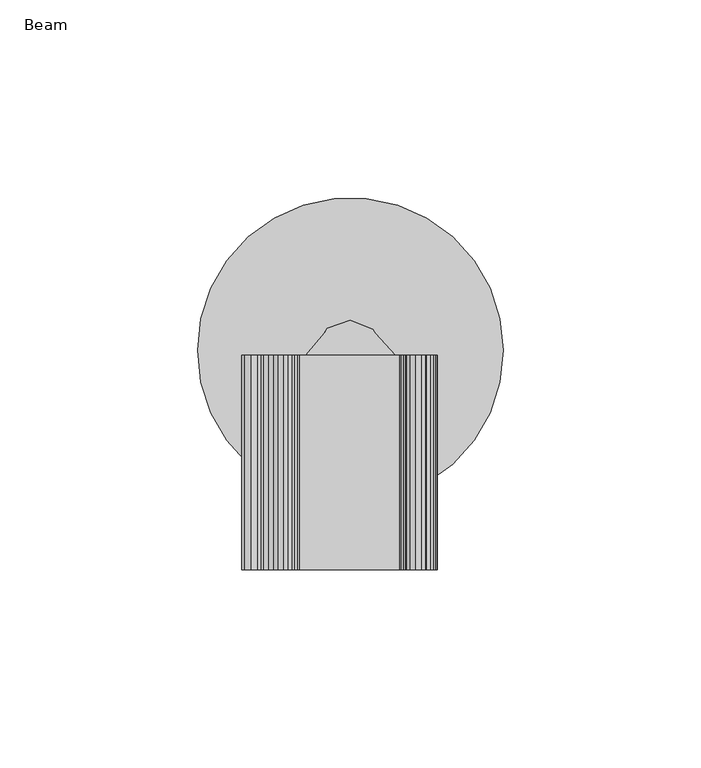
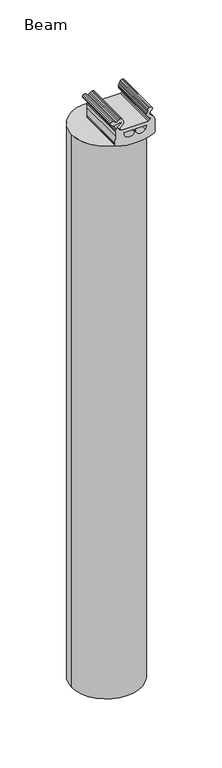
"""IFC4 building model written with IfcOpenShell, lengths in millimetres: furniture geometry, Beam."""

from ifc_helpers import new_model, si_unit, point, frame, frame_2d, origin, origin_with_axes, place, context, project, spatial, polyline, circle_curve, trimmed, segment, composite_curve, outline, extrude, source, transform, mapped, element, save


def beam_3406f82a(model_context):
    return source(origin(), model_context, "Body", "SweptSolid", [
        extrude(outline(composite_curve([segment(polyline([(-6.5555672, 5.7324726), (-5.859409, 6.8810836), (-0.0475324, 8.8573998), (5.674975, 6.6355435), (6.239066, 5.6086376), (11.3186782, 0.0), (15.3944667, -4.0757884), (21.5314068, -7.4468792)]), True, "CONTINUOUS"), segment(trimmed(circle_curve(frame_2d((18.5163742, -8.8806669)), 3.3385878), [point((21.5314068, -7.4468792))], [point((21.812053, -9.414212))], False, "CARTESIAN"), True, "CONTINUOUS"), segment(polyline([(21.812053, -9.414212), (-21.812053, -9.414212)]), True, "CONTINUOUS"), segment(trimmed(circle_curve(frame_2d((-18.5163742, -8.8806669)), 3.3385878), [point((-21.812053, -9.414212))], [point((-21.5314068, -7.4468792))], False, "CARTESIAN"), True, "CONTINUOUS"), segment(polyline([(-21.5314068, -7.4468792), (-15.3944667, -4.0757884), (-11.3186782, 0.0), (-6.5555672, 5.7324726)]), True, "CONTINUOUS")], self_intersect=False)), frame((0.0, 0.0, 670.0307159), z_axis=(0.0, 0.0, 1.0), x_axis=(1.0, 0.0, 0.0)), (0.0, 0.0, 1.0), 3.152766),
        extrude(outline(composite_curve([segment(polyline([(681.1834818, -15.3944667), (681.5205426, -16.5056064), (682.418115, -17.2422245), (683.5736625, -17.3560359), (684.5976954, -16.8086793), (687.6432425, -13.7631342), (688.7094864, -13.0761078), (689.9643407, -12.8911143), (691.2694505, -13.2659123), (693.194698, -14.1351297), (694.1118267, -14.7517835), (694.6247072, -15.7307318), (694.6096011, -16.8357918)]), True, "CONTINUOUS"), segment(trimmed(circle_curve(frame_2d((691.3228283, -16.1832827)), 3.3509169), [point((694.6096011, -16.8357918))], [point((693.9859787, -18.2170657))], False, "CARTESIAN"), True, "CONTINUOUS"), segment(polyline([(693.9859787, -18.2170657), (693.1137559, -19.3592035), (692.5143352, -20.6626992), (692.2504457, -21.9017371)]), True, "CONTINUOUS"), segment(trimmed(circle_curve(frame_2d((692.6700314, -22.1305157)), 0.4779036), [point((692.2504457, -21.9017371))], [point((692.6084909, -22.6044404))], True, "CARTESIAN"), True, "CONTINUOUS"), segment(polyline([(692.6084909, -22.6044404), (694.0505679, -23.5032402), (694.5849825, -25.1162578), (693.9648413, -26.6982975), (692.4766425, -27.5184752), (690.8079167, -27.1978782), (689.7295962, -25.8846187), (689.1892328, -23.0405532), (689.5305156, -20.1657965), (690.7217526, -17.5273013)]), True, "CONTINUOUS"), segment(trimmed(circle_curve(frame_2d((689.9429264, -17.0203197)), 0.9293012), [point((690.7217526, -17.5273013))], [point((689.2858114, -16.3632043))], True, "CARTESIAN"), True, "CONTINUOUS"), segment(polyline([(689.2858114, -16.3632043), (684.9121985, -20.7368142), (683.8766646, -21.5314068), (682.6707598, -22.0309086), (681.3766646, -22.2012793), (676.6834818, -22.2181622), (667.9526855, -22.370736), (666.7118263, -22.3912571), (665.9368892, -22.262541), (665.2690132, -21.812053)]), True, "CONTINUOUS"), segment(trimmed(circle_curve(frame_2d((708.8568268, -1.7797361)), 47.9707329), [point((665.2690132, -21.812053))], [point((661.4415559, -9.058699))], False, "CARTESIAN"), True, "CONTINUOUS"), segment(trimmed(circle_curve(frame_2d((719.3305815, -0.2141054)), 58.56079), [point((661.4415559, -9.058699))], [point((661.4415559, 8.6304883))], False, "CARTESIAN"), True, "CONTINUOUS"), segment(trimmed(circle_curve(frame_2d((713.0944347, 0.7386864)), 52.2522767), [point((661.4415559, 8.6304883))], [point((664.8276173, 20.7540496))], False, "CARTESIAN"), True, "CONTINUOUS"), segment(polyline([(664.8276173, 20.7540496), (665.2564678, 21.4066682), (665.9318287, 21.8612906), (666.7118263, 22.0049588), (667.9526853, 21.9844377), (677.1834818, 21.7986909), (681.3766646, 21.7986909), (682.6707598, 21.6283201), (683.8766646, 21.1288184), (684.9121985, 20.3342258), (688.7559569, 16.49047), (689.4195887, 16.0508697), (690.2021231, 15.9049392), (691.568625, 16.3223878)]), True, "CONTINUOUS"), segment(trimmed(circle_curve(frame_2d((691.3217129, 17.2187165)), 0.9297154), [point((691.568625, 16.3223878))], [point((692.1873221, 16.8794652))], True, "CARTESIAN"), True, "CONTINUOUS"), segment(polyline([(692.1873221, 16.8794652), (692.7579335, 18.3353959), (694.0819225, 19.1674937), (695.6412737, 19.0501975), (696.8258854, 18.0293996), (697.1722742, 16.504491), (696.5449142, 15.0720975), (695.1892622, 14.2926481), (693.8093181, 13.9375325), (692.4699195, 13.4513595), (691.1834818, 12.8386356), (689.9643408, 12.4885259), (688.7094865, 12.6735194), (687.6432426, 13.3605457), (684.5976954, 16.4060908), (683.5736625, 16.9534475), (682.418115, 16.839636), (681.5205426, 16.1030179), (681.1834818, 14.9918782), (681.1834818, -15.3944667)]), True, "CONTINUOUS")], self_intersect=False), holes=[composite_curve([segment(polyline([(677.1834818, 0.9464595), (677.1834818, 12.5436866), (672.6116885, 11.3186782)]), True, "CONTINUOUS"), segment(trimmed(circle_curve(frame_2d((676.8143754, 6.3340316)), 6.519914), [point((672.6116885, 11.3186782))], [point((673.7398936, 0.5845238))], True, "CARTESIAN"), True, "CONTINUOUS"), segment(polyline([(673.7398936, 0.5845238), (677.1834818, 0.9464595)]), True, "CONTINUOUS")], self_intersect=False), composite_curve([segment(polyline([(677.1834818, -0.9464595), (673.7398936, -0.5845238)]), True, "CONTINUOUS"), segment(trimmed(circle_curve(frame_2d((676.8143754, -6.3340316)), 6.519914), [point((673.7398936, -0.5845238))], [point((672.6116885, -11.3186782))], True, "CARTESIAN"), True, "CONTINUOUS"), segment(polyline([(672.6116885, -11.3186782), (677.1834818, -12.5436866), (677.1834818, -0.9464595)]), True, "CONTINUOUS")], self_intersect=False)]), frame((0.0, -54.268407, 0.0), z_axis=(0.0, 1.0, 0.0), x_axis=(0.0, 0.0, 1.0)), (0.0, 0.0, 1.0), 54.268407),
        extrude(outline(composite_curve([segment(trimmed(circle_curve(frame_2d((0.0, 1.25)), 38.6533547), [point((-38.6533547, 1.25))], [point((38.6533547, 1.25))], False, "CARTESIAN"), True, "CONTINUOUS"), segment(trimmed(circle_curve(frame_2d((0.0, 1.25)), 38.6533547), [point((38.6533547, 1.25))], [point((-38.6533547, 1.25))], False, "CARTESIAN"), True, "CONTINUOUS")], self_intersect=False)), origin_with_axes(), (0.0, 0.0, 1.0), 650.1834818),
        extrude(outline(polyline([(-5.859409, 6.8810836), (-0.0475324, 8.8573998), (5.674975, 6.6355435), (8.6304883, 1.2551461), (7.43609, -4.7662448), (2.6506524, -8.6111535), (-3.4866652, -8.4805043), (-8.1041435, -4.4354296), (-9.0412133, 1.6313352), (-5.859409, 6.8810836)])), frame((0.0, 0.0, 650.1834818), z_axis=(0.0, 0.0, 1.0), x_axis=(1.0, 0.0, 0.0)), (0.0, 0.0, 1.0), 18.0),
        extrude(outline(polyline([(-0.0852397, 7.0860762), (4.5075046, 5.3028688), (6.8795273, 0.9846935), (5.9209325, -3.8479275), (2.0802573, -6.9337571), (-2.8454035, -6.8289013), (-6.5512787, -3.5824234), (-7.3033479, 1.2866137), (-4.7497097, 5.4999332), (-0.0852397, 7.0860762)])), frame((0.0, 0.0, 668.1834818), z_axis=(0.0, 0.0, 1.0), x_axis=(1.0, 0.0, 0.0)), (0.0, 0.0, 1.0), 5.0),
    ])


if __name__ == "__main__":
    model = new_model("IFC4")
    model_context = context("Model", 3, world=origin())
    ifc_project = project(units=[si_unit("LENGTHUNIT", "METRE", prefix="MILLI")], contexts=[model_context])
    site = spatial("IfcSite", under=ifc_project)
    building = spatial("IfcBuilding", under=site)
    placement = place(None, origin())
    beam_shape = beam_3406f82a(model_context)
    element("IfcFurniture", 1, ObjectType="Beam", at=placement, inside=building, context=model_context, shape_type="MappedRepresentation", body=[
        mapped(beam_shape, transform((0.0, 0.0, 0.0), x_axis=(1.0, 0.0, 0.0), y_axis=(0.0, 1.0, 0.0), z_axis=(0.0, 0.0, 1.0))),
    ])
    save(model, "model.ifc")
